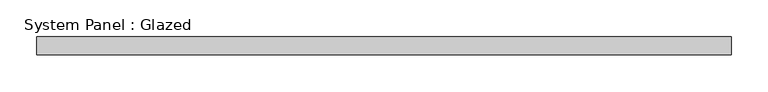
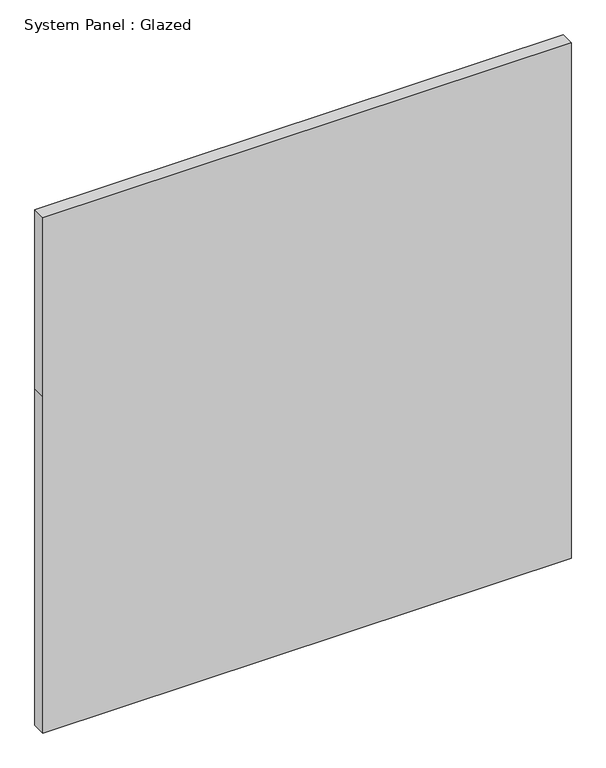
"""IFC4 building model written with IfcOpenShell, lengths in millimetres: plate geometry, System Panel : Glazed."""

from ifc_helpers import new_model, si_unit, frame, origin, place, context, project, spatial, polyline, outline, extrude, source, transform, mapped, element, save


def system_panel_glazed_abe36d7a(model_context):
    return source(origin(), model_context, "Body", "SweptSolid", [
        extrude(outline(polyline([(0.0, -475.0), (0.0, 475.0), (640.0, 475.0), (980.0, 475.0), (980.0, -475.0), (640.0, -475.0), (0.0, -475.0)])), frame((0.0, -37.5, 0.0), z_axis=(0.0, 1.0, 0.0), x_axis=(0.0, 0.0, 1.0)), (0.0, 0.0, 1.0), 25.0),
    ])


if __name__ == "__main__":
    model = new_model("IFC4")
    model_context = context("Model", 3, world=origin())
    ifc_project = project(units=[si_unit("LENGTHUNIT", "METRE", prefix="MILLI")], contexts=[model_context])
    site = spatial("IfcSite", under=ifc_project)
    building = spatial("IfcBuilding", under=site)
    placement = place(None, origin())
    system_panel_glazed_shape = system_panel_glazed_abe36d7a(model_context)
    element("IfcPlate", 1, ObjectType="System Panel : Glazed", at=placement, inside=building, context=model_context, shape_type="MappedRepresentation", body=[
        mapped(system_panel_glazed_shape, transform((0.0, 0.0, 0.0), x_axis=(1.0, 0.0, 0.0), y_axis=(0.0, 1.0, 0.0), z_axis=(0.0, 0.0, 1.0))),
    ])
    save(model, "model.ifc")
